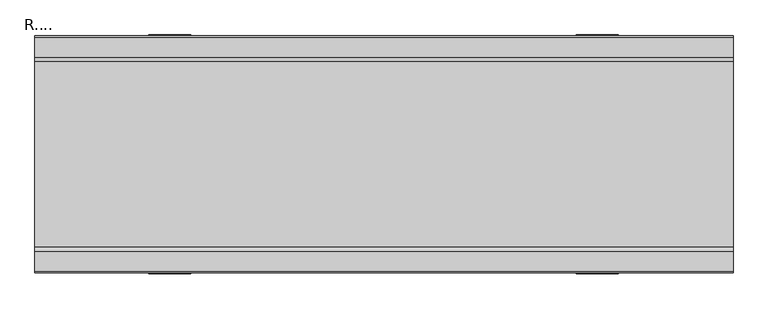
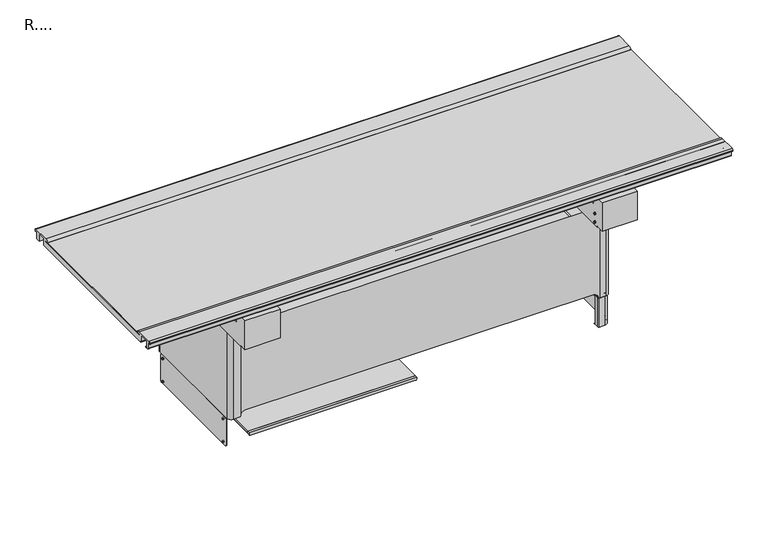
"""IFC4 building model written with IfcOpenShell, lengths in millimetres: proxy geometry, R....."""

from ifc_helpers import new_model, si_unit, point, frame, frame_2d, origin, place, context, project, spatial, polyline, circle_curve, ellipse_curve, trimmed, segment, composite_curve, outline, extrude, faceted_brep, source, transform, mapped, element, save
from ifc_brep_helpers import plane_surface, cylinder_surface, revolved_surface, advanced_brep


def r_60a09def(model_context):
    return source(origin(), model_context, "Body", "SolidModel", [
        advanced_brep(
        [(781.0, 232.75, 9.0), (781.0, 226.75, 3.0), (781.0, 235.5, 3.0), (781.0, 235.5, 3.8), (781.0, 237.5, 3.8), (781.0, 237.5, 130.0), (781.0, -237.5, 130.0), (781.0, -237.5, 3.8415156), (781.0, -235.5, 3.8415156), (781.0, -235.5, 3.0), (781.0, -226.25, 3.0), (781.0, -232.25, 9.0), (781.0, -232.25, 121.0), (781.0, -226.25, 127.0), (781.0, 226.75, 127.0), (781.0, 232.75, 121.0), (736.0, 232.75, 9.0), (736.0, 232.75, 121.0), (736.0, 226.75, 127.0), (736.0, -226.25, 127.0), (736.0, -232.25, 121.0), (736.0, -232.25, 9.0), (736.0, -226.25, 3.0), (736.0, -235.5, 3.0), (736.0, -235.5, 3.8415156), (736.0, -252.0, 3.8415156), (736.0, -252.0, 130.0), (736.0, 252.0, 130.0), (736.0, 252.0, 3.8), (736.0, 235.5, 3.8), (736.0, 235.5, 3.0), (736.0, 226.75, 3.0), (739.5, 255.5, 3.8), (763.0, 255.5, 3.8), (739.5, 255.5, 130.0), (763.0, 255.5, 130.0), (739.5, -255.5, 130.0), (763.0, -255.5, 130.0), (739.5, -255.5, 3.8415156), (763.0, -255.5, 3.8415156)],
        [
            (0, 1, circle_curve(frame((781.0, 226.75, 9.0), z_axis=(-1.0, 0.0, 0.0), x_axis=(0.0, -1.0, 0.0)), 6.0)),
            (1, 2),
            (2, 3),
            (3, 4),
            (4, 5),
            (5, 6),
            (6, 7),
            (7, 8),
            (8, 9),
            (9, 10),
            (10, 11, circle_curve(frame((781.0, -226.25, 9.0), z_axis=(-1.0, 0.0, 0.0), x_axis=(0.0, -1.0, 0.0)), 6.0)),
            (11, 12),
            (12, 13, circle_curve(frame((781.0, -226.25, 121.0), z_axis=(-1.0, 0.0, 0.0), x_axis=(0.0, -1.0, 0.0)), 6.0)),
            (13, 14),
            (14, 15, circle_curve(frame((781.0, 226.75, 121.0), z_axis=(-1.0, 0.0, 0.0), x_axis=(0.0, -1.0, 0.0)), 6.0)),
            (15, 0),
            (16, 17),
            (17, 18, circle_curve(frame((736.0, 226.75, 121.0), z_axis=(1.0, 0.0, 0.0), x_axis=(0.0, -1.0, 0.0)), 6.0)),
            (18, 19),
            (19, 20, circle_curve(frame((736.0, -226.25, 121.0), z_axis=(1.0, 0.0, 0.0), x_axis=(0.0, -1.0, 0.0)), 6.0)),
            (20, 21),
            (21, 22, circle_curve(frame((736.0, -226.25, 9.0), z_axis=(1.0, 0.0, 0.0), x_axis=(0.0, -1.0, 0.0)), 6.0)),
            (22, 23),
            (23, 24),
            (24, 25),
            (25, 26),
            (26, 27),
            (27, 28),
            (28, 29),
            (29, 30),
            (30, 31),
            (31, 16, circle_curve(frame((736.0, 226.75, 9.0), z_axis=(1.0, 0.0, 0.0), x_axis=(0.0, -1.0, 0.0)), 6.0)),
            (0, 16),
            (31, 1),
            (30, 2),
            (29, 3),
            (28, 32, circle_curve(frame((739.5, 252.0, 3.8), z_axis=(0.0, 0.0, -1.0), x_axis=(-1.0, 0.0, 0.0)), 3.5)),
            (32, 33),
            (33, 4, circle_curve(frame((763.0, 237.5, 3.8), z_axis=(0.0, 0.0, -1.0), x_axis=(0.0, 1.0, 0.0)), 18.0)),
            (32, 34),
            (34, 35),
            (35, 33),
            (34, 27, circle_curve(frame((739.5, 252.0, 130.0), z_axis=(0.0, 0.0, 1.0), x_axis=(-1.0, 0.0, 0.0)), 3.5)),
            (26, 36, circle_curve(frame((739.5, -252.0, 130.0), z_axis=(0.0, 0.0, 1.0), x_axis=(-1.0, 0.0, 0.0)), 3.5)),
            (36, 37),
            (37, 6, circle_curve(frame((763.0, -237.5, 130.0), z_axis=(0.0, 0.0, 1.0), x_axis=(0.0, -1.0, 0.0)), 18.0)),
            (5, 35, circle_curve(frame((763.0, 237.5, 130.0), z_axis=(0.0, 0.0, 1.0), x_axis=(0.0, 1.0, 0.0)), 18.0)),
            (36, 38),
            (38, 39),
            (39, 37),
            (24, 8),
            (7, 39, circle_curve(frame((763.0, -237.5, 3.8415156), z_axis=(0.0, 0.0, -1.0), x_axis=(0.0, -1.0, 0.0)), 18.0)),
            (38, 25, circle_curve(frame((739.5, -252.0, 3.8415156), z_axis=(0.0, 0.0, -1.0), x_axis=(-1.0, 0.0, 0.0)), 3.5)),
            (23, 9),
            (22, 10),
            (21, 11),
            (20, 12),
            (19, 13),
            (18, 14),
            (17, 15),
        ],
        [
            plane_surface(frame((781.0, 220.75, 9.0), z_axis=(1.0, 0.0, 0.0), x_axis=(0.0, 0.0, 1.0))),
            plane_surface(frame((736.0, 220.75, 9.0), z_axis=(-1.0, 0.0, 0.0), x_axis=(0.0, 0.0, -1.0))),
            revolved_surface(polyline([(736.0, 220.75, 9.0), (781.0, 220.75, 9.0)]), (736.0, 226.75, 9.0), (-1.0, 0.0, 0.0)),
            plane_surface(frame((781.0, 226.75, 3.0), z_axis=(0.0, 0.0, -1.0), x_axis=(-1.0, 0.0, 0.0))),
            plane_surface(frame((781.0, 235.5, 3.0), z_axis=(0.0, 1.0, 0.0), x_axis=(-1.0, 0.0, 0.0))),
            plane_surface(frame((781.0, 235.5, 3.8), z_axis=(0.0, 0.0, -1.0), x_axis=(-1.0, 0.0, 0.0))),
            plane_surface(frame((781.0, 255.5, 3.8), z_axis=(0.0, 1.0, 0.0), x_axis=(-1.0, 0.0, 0.0))),
            plane_surface(frame((781.0, 255.5, 130.0), z_axis=(0.0, 0.0, 1.0), x_axis=(-1.0, 0.0, 0.0))),
            plane_surface(frame((781.0, -255.5, 130.0), z_axis=(0.0, -1.0, 0.0), x_axis=(-1.0, 0.0, 0.0))),
            plane_surface(frame((781.0, -255.5, 3.8415156), z_axis=(0.0, 0.0, -1.0), x_axis=(-1.0, 0.0, 0.0))),
            plane_surface(frame((781.0, -235.5, 3.8415156), z_axis=(0.0, -1.0, 0.0), x_axis=(-1.0, 0.0, 0.0))),
            plane_surface(frame((781.0, -235.5, 3.0), z_axis=(0.0, 0.0, -1.0), x_axis=(-1.0, 0.0, 0.0))),
            revolved_surface(polyline([(736.0, -232.25, 9.0), (781.0, -232.25, 9.0)]), (736.0, -226.25, 9.0), (-1.0, 0.0, 0.0)),
            plane_surface(frame((781.0, -232.25, 9.0), z_axis=(0.0, 1.0, 0.0), x_axis=(-1.0, 0.0, 0.0))),
            revolved_surface(polyline([(736.0, -232.25, 121.0), (781.0, -232.25, 121.0)]), (736.0, -226.25, 121.0), (-1.0, 0.0, 0.0)),
            plane_surface(frame((781.0, -226.25, 127.0), z_axis=(0.0, 0.0, -1.0), x_axis=(-1.0, 0.0, 0.0))),
            revolved_surface(polyline([(736.0, 220.75, 121.0), (781.0, 220.75, 121.0)]), (736.0, 226.75, 121.0), (-1.0, 0.0, 0.0)),
            plane_surface(frame((781.0, 232.75, 121.0), z_axis=(0.0, -1.0, 0.0), x_axis=(-1.0, 0.0, 0.0))),
            cylinder_surface(frame((763.0, 237.5, 0.0), z_axis=(0.0, 0.0, -1.0), x_axis=(0.0, 1.0, 0.0)), 18.0),
            cylinder_surface(frame((739.5, 252.0, 0.0), z_axis=(0.0, 0.0, -1.0), x_axis=(-1.0, 0.0, 0.0)), 3.5),
            cylinder_surface(frame((763.0, -237.5, 0.0), z_axis=(0.0, 0.0, -1.0), x_axis=(0.0, -1.0, 0.0)), 18.0),
            cylinder_surface(frame((739.5, -252.0, 0.0), z_axis=(0.0, 0.0, -1.0), x_axis=(-1.0, 0.0, 0.0)), 3.5),
        ],
        [
            (0, [[1, 2, 3, 4, 5, 6, 7, 8, 9, 10, 11, 12, 13, 14, 15, 16]]),
            (1, [[17, 18, 19, 20, 21, 22, 23, 24, 25, 26, 27, 28, 29, 30, 31, 32]]),
            (2, [[-1, 33, -32, 34]]),
            (3, [[-2, -34, -31, 35]]),
            (4, [[-3, -35, -30, 36]]),
            (5, [[-36, -29, 37, 38, 39, -4]]),
            (6, [[-38, 40, 41, 42]]),
            (7, [[-41, 43, -27, 44, 45, 46, -6, 47]]),
            (8, [[-45, 48, 49, 50]]),
            (9, [[51, -8, 52, -49, 53, -25]]),
            (10, [[-9, -51, -24, 54]]),
            (11, [[-10, -54, -23, 55]]),
            (12, [[-11, -55, -22, 56]]),
            (13, [[-12, -56, -21, 57]]),
            (14, [[-13, -57, -20, 58]]),
            (15, [[-14, -58, -19, 59]]),
            (16, [[-15, -59, -18, 60]]),
            (17, [[-16, -60, -17, -33]]),
            (18, [[-5, -39, -42, -47]]),
            (19, [[-28, -43, -40, -37]]),
            (20, [[-7, -46, -50, -52]]),
            (21, [[-26, -53, -48, -44]]),
        ],
    ),
        advanced_brep(
        [(742.6123808, -255.5, 541.9), (766.1123808, -255.5, 541.9), (784.1123808, -237.5, 541.9), (784.1123808, 237.5, 541.9), (766.1123808, 255.5, 541.9), (742.6123808, 255.5, 541.9), (736.0, 255.5, 541.9), (736.0, -255.5, 541.9), (-736.3876192, 255.5, 541.9), (-766.0876192, 255.5, 541.9), (-784.0876192, 237.5, 541.9), (-784.0876192, -237.5, 541.9), (-766.0876192, -255.5, 541.9), (-736.3876192, -255.5, 541.9), (-736.0, -255.5, 541.9), (-736.0, 255.5, 541.9), (742.6123808, 255.5, 130.0), (766.1123808, 255.5, 130.0), (784.1123808, 237.5, 130.0), (784.1123808, -237.5, 130.0), (766.1123808, -255.5, 130.0), (742.6123808, -255.5, 130.0), (735.1123808, -255.5, 130.0), (735.1123808, 255.5, 130.0), (-766.0876192, -255.5, 130.0), (-784.0876192, -237.5, 130.0), (-784.0876192, 237.5, 130.0), (-766.0876192, 255.5, 130.0), (-736.8876192, 255.5, 130.0), (-736.8876192, -255.5, 130.0), (735.1123808, 255.5, 133.4), (715.1123808, 255.5, 153.4), (-716.8876192, 255.5, 153.4), (-736.3876192, 255.5, 137.8440972), (-736.0, 255.5, 533.6), (-736.0, 255.5, 532.0), (-730.0, 255.5, 526.0), (-623.8, 255.5, 526.0), (-616.2, 255.5, 526.0), (616.2, 255.5, 526.0), (623.8, 255.5, 526.0), (730.0, 255.5, 526.0), (736.0, 255.5, 532.0), (736.0, 255.5, 533.6), (-736.8876192, 255.5, 133.4), (-736.8876192, -255.5, 133.4), (-736.3876192, -255.5, 137.8440972), (736.0, -255.5, 533.6), (736.0, -255.5, 532.0), (730.0, -255.5, 526.0), (623.8, -255.5, 526.0), (616.2, -255.5, 526.0), (-616.2, -255.5, 526.0), (-623.8, -255.5, 526.0), (-730.0, -255.5, 526.0), (-736.0, -255.5, 532.0), (-736.0, -255.5, 533.6), (-716.8876192, -255.5, 153.4), (715.1123808, -255.5, 153.4), (735.1123808, -255.5, 133.4)],
        [
            (0, 1),
            (1, 2, circle_curve(frame((766.1123808, -237.5, 541.9), z_axis=(0.0, 0.0, 1.0), x_axis=(1.0, 0.0, 0.0)), 18.0)),
            (2, 3),
            (3, 4, circle_curve(frame((766.1123808, 237.5, 541.9), z_axis=(0.0, 0.0, 1.0), x_axis=(0.0, 1.0, 0.0)), 18.0)),
            (4, 5),
            (5, 6),
            (6, 7),
            (7, 0),
            (8, 9),
            (9, 10, circle_curve(frame((-766.0876192, 237.5, 541.9), z_axis=(0.0, 0.0, 1.0), x_axis=(0.0, 1.0, 0.0)), 18.0)),
            (10, 11),
            (11, 12, circle_curve(frame((-766.0876192, -237.5, 541.9), z_axis=(0.0, 0.0, 1.0), x_axis=(-1.0, 0.0, 0.0)), 18.0)),
            (12, 13),
            (13, 14),
            (14, 15),
            (15, 8),
            (16, 17),
            (17, 18, circle_curve(frame((766.1123808, 237.5, 130.0), z_axis=(0.0, 0.0, -1.0), x_axis=(0.0, 1.0, 0.0)), 18.0)),
            (18, 19),
            (19, 20, circle_curve(frame((766.1123808, -237.5, 130.0), z_axis=(0.0, 0.0, -1.0), x_axis=(1.0, 0.0, 0.0)), 18.0)),
            (20, 21),
            (21, 22),
            (22, 23),
            (23, 16),
            (24, 25, circle_curve(frame((-766.0876192, -237.5, 130.0), z_axis=(0.0, 0.0, -1.0), x_axis=(-1.0, 0.0, 0.0)), 18.0)),
            (25, 26),
            (26, 27, circle_curve(frame((-766.0876192, 237.5, 130.0), z_axis=(0.0, 0.0, -1.0), x_axis=(0.0, 1.0, 0.0)), 18.0)),
            (27, 28),
            (28, 29),
            (29, 24),
            (5, 16),
            (23, 30),
            (30, 31, circle_curve(frame((715.1123808, 255.5, 133.4), z_axis=(0.0, -1.0, 0.0), x_axis=(1.0, 0.0, 0.0)), 20.0)),
            (31, 32),
            (32, 33, circle_curve(frame((-716.8876192, 255.5, 133.4), z_axis=(0.0, -1.0, 0.0), x_axis=(1.0, 0.0, 0.0)), 20.0)),
            (33, 8),
            (15, 34),
            (34, 35),
            (35, 36, circle_curve(frame((-730.0, 255.5, 532.0), z_axis=(0.0, -1.0, 0.0), x_axis=(-1.0, 0.0, 0.0)), 6.0)),
            (36, 37),
            (37, 38),
            (38, 39),
            (39, 40),
            (40, 41),
            (41, 42, circle_curve(frame((730.0, 255.5, 532.0), z_axis=(0.0, -1.0, 0.0), x_axis=(0.0, 0.0, -1.0)), 6.0)),
            (42, 43),
            (43, 6),
            (33, 44, circle_curve(frame((-716.8876192, 255.5, 133.4), z_axis=(0.0, -1.0, 0.0), x_axis=(1.0, 0.0, 0.0)), 20.0)),
            (44, 28),
            (27, 9),
            (26, 10),
            (25, 11),
            (24, 12),
            (29, 45),
            (45, 46, circle_curve(frame((-716.8876192, -255.5, 133.4), z_axis=(0.0, 1.0, 0.0), x_axis=(1.0, 0.0, 0.0)), 20.0)),
            (46, 13),
            (21, 0),
            (7, 47),
            (47, 48),
            (48, 49, circle_curve(frame((730.0, -255.5, 532.0), z_axis=(0.0, 1.0, 0.0), x_axis=(0.0, 0.0, -1.0)), 6.0)),
            (49, 50),
            (50, 51),
            (51, 52),
            (52, 53),
            (53, 54),
            (54, 55, circle_curve(frame((-730.0, -255.5, 532.0), z_axis=(0.0, 1.0, 0.0), x_axis=(-1.0, 0.0, 0.0)), 6.0)),
            (55, 56),
            (56, 14),
            (46, 57, circle_curve(frame((-716.8876192, -255.5, 133.4), z_axis=(0.0, 1.0, 0.0), x_axis=(1.0, 0.0, 0.0)), 20.0)),
            (57, 58),
            (58, 59, circle_curve(frame((715.1123808, -255.5, 133.4), z_axis=(0.0, 1.0, 0.0), x_axis=(1.0, 0.0, 0.0)), 20.0)),
            (59, 22),
            (20, 1),
            (19, 2),
            (18, 3),
            (17, 4),
            (44, 45),
            (59, 30),
            (58, 31),
            (57, 32),
            (34, 56),
            (55, 35),
            (54, 36),
            (53, 37),
            (52, 38),
            (51, 39),
            (50, 40),
            (49, 41),
            (48, 42),
            (47, 43),
        ],
        [
            plane_surface(frame((-736.3876192, 255.5, 541.9), z_axis=(0.0, 0.0, 1.0), x_axis=(-1.0, 0.0, 0.0))),
            plane_surface(frame((-736.3876192, 255.5, 130.0), z_axis=(0.0, 0.0, -1.0), x_axis=(1.0, 0.0, 0.0))),
            plane_surface(frame((742.6123808, 255.5, 541.9), z_axis=(0.0, 1.0, 0.0), x_axis=(0.0, 0.0, -1.0))),
            plane_surface(frame((-736.3876192, 255.5, 541.9), z_axis=(0.0, 1.0, 0.0), x_axis=(0.0, 0.0, -1.0))),
            cylinder_surface(frame((-766.0876192, 237.5, 130.0), z_axis=(0.0, 0.0, 1.0), x_axis=(0.0, 1.0, 0.0)), 18.0),
            plane_surface(frame((-784.0876192, 237.5, 541.9), z_axis=(-1.0, 0.0, 0.0), x_axis=(0.0, 0.0, -1.0))),
            cylinder_surface(frame((-766.0876192, -237.5, 130.0), z_axis=(0.0, 0.0, 1.0), x_axis=(-1.0, 0.0, 0.0)), 18.0),
            plane_surface(frame((-766.0876192, -255.5, 541.9), z_axis=(0.0, -1.0, 0.0), x_axis=(0.0, 0.0, -1.0))),
            plane_surface(frame((-736.3876192, -255.5, 541.9), z_axis=(0.0, -1.0, 0.0), x_axis=(0.0, 0.0, -1.0))),
            plane_surface(frame((742.6123808, -255.5, 541.9), z_axis=(0.0, -1.0, 0.0), x_axis=(0.0, 0.0, -1.0))),
            cylinder_surface(frame((766.1123808, -237.5, 130.0), z_axis=(0.0, 0.0, 1.0), x_axis=(1.0, 0.0, 0.0)), 18.0),
            plane_surface(frame((784.1123808, -237.5, 541.9), z_axis=(1.0, 0.0, 0.0), x_axis=(0.0, 0.0, -1.0))),
            cylinder_surface(frame((766.1123808, 237.5, 130.0), z_axis=(0.0, 0.0, 1.0), x_axis=(0.0, 1.0, 0.0)), 18.0),
            plane_surface(frame((766.1123808, 255.5, 541.9), z_axis=(0.0, 1.0, 0.0), x_axis=(0.0, 0.0, -1.0))),
            plane_surface(frame((-736.8876192, -261.55, 133.4), z_axis=(1.0, 0.0, 0.0), x_axis=(0.0, 1.0, 0.0))),
            plane_surface(frame((735.1123808, -261.55, 3.5), z_axis=(-1.0, 0.0, 0.0), x_axis=(0.0, 1.0, 0.0))),
            revolved_surface(polyline([(735.1123808, -255.50000000000006, 133.4), (735.1123808, 255.5, 133.4)]), (715.1123808, 318.4037854, 133.4), (0.0, -1.0, 0.0)),
            plane_surface(frame((715.1123808, -261.55, 153.4), z_axis=(0.0, 0.0, -1.0), x_axis=(0.0, 1.0, 0.0))),
            revolved_surface(polyline([(-696.8876192, -255.50000000000006, 133.4), (-696.8876192, 255.5, 133.4)]), (-716.8876192, 318.4037854, 133.4), (0.0, -1.0, 0.0)),
            plane_surface(frame((-736.0, -261.55, 533.6), z_axis=(1.0, 0.0, 0.0), x_axis=(0.0, 1.0, 0.0))),
            revolved_surface(polyline([(-736.0, -255.5, 532.0), (-736.0, 255.5, 532.0)]), (-730.0, 255.5, 532.0), (0.0, -1.0, 0.0)),
            plane_surface(frame((-730.0, -261.55, 526.0), z_axis=(0.0, 0.0, 1.0), x_axis=(0.0, 1.0, 0.0))),
            plane_surface(frame((-623.8, -261.55, 526.0), z_axis=(0.0, 0.0, 1.0), x_axis=(0.0, 1.0, 0.0))),
            plane_surface(frame((-616.2, -261.55, 526.0), z_axis=(0.0, 0.0, 1.0), x_axis=(0.0, 1.0, 0.0))),
            plane_surface(frame((616.2, -261.55, 526.0), z_axis=(0.0, 0.0, 1.0), x_axis=(0.0, 1.0, 0.0))),
            plane_surface(frame((623.8, -261.55, 526.0), z_axis=(0.0, 0.0, 1.0), x_axis=(0.0, 1.0, 0.0))),
            revolved_surface(polyline([(730.0, -255.5, 526.0), (730.0, 255.5, 526.0)]), (730.0, 255.5, 532.0), (0.0, -1.0, 0.0)),
            plane_surface(frame((736.0, -261.55, 532.0), z_axis=(-1.0, 0.0, 0.0), x_axis=(0.0, 1.0, 0.0))),
            plane_surface(frame((736.0, -261.55, 533.6), z_axis=(-1.0, 0.0, 0.0), x_axis=(0.0, 1.0, 0.0))),
            plane_surface(frame((-736.0, -261.55, 541.9), z_axis=(1.0, 0.0, 0.0), x_axis=(0.0, 1.0, 0.0))),
        ],
        [
            (0, [[1, 2, 3, 4, 5, 6, 7, 8]]),
            (0, [[9, 10, 11, 12, 13, 14, 15, 16]]),
            (1, [[17, 18, 19, 20, 21, 22, 23, 24]]),
            (1, [[25, 26, 27, 28, 29, 30]]),
            (2, [[31, -24, 32, 33, 34, 35, 36, -16, 37, 38, 39, 40, 41, 42, 43, 44, 45, 46, 47, -6]]),
            (3, [[-9, -36, 48, 49, -28, 50]]),
            (4, [[-10, -50, -27, 51]]),
            (5, [[-11, -51, -26, 52]]),
            (6, [[-12, -52, -25, 53]]),
            (7, [[-13, -53, -30, 54, 55, 56]]),
            (8, [[57, -8, 58, 59, 60, 61, 62, 63, 64, 65, 66, 67, 68, -14, -56, 69, 70, 71, 72, -22]]),
            (9, [[-1, -57, -21, 73]]),
            (10, [[-2, -73, -20, 74]]),
            (11, [[-3, -74, -19, 75]]),
            (12, [[-4, -75, -18, 76]]),
            (13, [[-5, -76, -17, -31]]),
            (14, [[77, -54, -29, -49]]),
            (15, [[78, -32, -23, -72]]),
            (16, [[-78, -71, 79, -33]]),
            (17, [[-79, -70, 80, -34]]),
            (18, [[-77, -48, -35, -80, -69, -55]]),
            (19, [[81, -67, 82, -38]]),
            (20, [[-82, -66, 83, -39]]),
            (21, [[-83, -65, 84, -40]]),
            (22, [[-84, -64, 85, -41]]),
            (23, [[-85, -63, 86, -42]]),
            (24, [[-86, -62, 87, -43]]),
            (25, [[-87, -61, 88, -44]]),
            (26, [[-88, -60, 89, -45]]),
            (27, [[-89, -59, 90, -46]]),
            (28, [[-90, -58, -7, -47]]),
            (29, [[-81, -37, -15, -68]]),
        ],
    ),
        extrude(outline(composite_curve([segment(polyline([(33.0, -1.0), (33.0, -690.5), (26.0, -690.5)]), True, "CONTINUOUS"), segment(trimmed(circle_curve(frame_2d((26.0, -685.5)), 5.0), [point((26.0, -690.5))], [point((21.0, -685.5))], False, "CARTESIAN"), True, "CONTINUOUS"), segment(polyline([(21.0, -685.5), (21.0, -6.0)]), True, "CONTINUOUS"), segment(trimmed(circle_curve(frame_2d((26.0, -6.0)), 5.0), [point((21.0, -6.0))], [point((26.0, -1.0))], False, "CARTESIAN"), True, "CONTINUOUS"), segment(polyline([(26.0, -1.0), (33.0, -1.0)]), True, "CONTINUOUS")], self_intersect=False)), frame((0.0, -236.8025505, 0.0), z_axis=(0.0, 1.0, 0.0), x_axis=(0.0, 0.0, 1.0)), (0.0, 0.0, 1.0), 10.5525505),
        extrude(outline(composite_curve([segment(polyline([(33.0, -1.0), (33.0, -690.5), (26.0, -690.5)]), True, "CONTINUOUS"), segment(trimmed(circle_curve(frame_2d((26.0, -685.5)), 5.0), [point((26.0, -690.5))], [point((21.1010205, -686.5))], False, "CARTESIAN"), True, "CONTINUOUS"), segment(polyline([(21.1010205, -686.5), (21.1010205, -5.0)]), True, "CONTINUOUS"), segment(trimmed(circle_curve(frame_2d((26.0, -6.0)), 5.0), [point((21.1010205, -5.0))], [point((26.0, -1.0))], False, "CARTESIAN"), True, "CONTINUOUS"), segment(polyline([(26.0, -1.0), (33.0, -1.0)]), True, "CONTINUOUS")], self_intersect=False)), frame((0.0, -226.25, 0.0), z_axis=(0.0, 1.0, 0.0), x_axis=(0.0, 0.0, 1.0)), (0.0, 0.0, 1.0), 478.25),
        extrude(outline(composite_curve([segment(trimmed(circle_curve(frame_2d((187.227, 508.6)), 3.8), [point((191.027, 508.6))], [point((183.427, 508.6))], False, "CARTESIAN"), True, "CONTINUOUS"), segment(trimmed(circle_curve(frame_2d((187.227, 508.6)), 3.8), [point((183.427, 508.6))], [point((191.027, 508.6))], False, "CARTESIAN"), True, "CONTINUOUS")], self_intersect=False)), frame((785.0, 0.0, 0.0), z_axis=(1.0, 0.0, 0.0), x_axis=(0.0, 1.0, 0.0)), (0.0, 0.0, 1.0), 2.2),
        extrude(outline(composite_curve([segment(trimmed(circle_curve(frame_2d((-186.773, 508.6)), 3.8), [point((-182.973, 508.6))], [point((-190.573, 508.6))], False, "CARTESIAN"), True, "CONTINUOUS"), segment(trimmed(circle_curve(frame_2d((-186.773, 508.6)), 3.8), [point((-190.573, 508.6))], [point((-182.973, 508.6))], False, "CARTESIAN"), True, "CONTINUOUS")], self_intersect=False)), frame((785.0, 0.0, 0.0), z_axis=(1.0, 0.0, 0.0), x_axis=(0.0, 1.0, 0.0)), (0.0, 0.0, 1.0), 2.2),
        extrude(outline(composite_curve([segment(trimmed(circle_curve(frame_2d((-186.773, 145.0)), 3.8), [point((-182.973, 145.0))], [point((-190.573, 145.0))], False, "CARTESIAN"), True, "CONTINUOUS"), segment(trimmed(circle_curve(frame_2d((-186.773, 145.0)), 3.8), [point((-190.573, 145.0))], [point((-182.973, 145.0))], False, "CARTESIAN"), True, "CONTINUOUS")], self_intersect=False)), frame((785.0, 0.0, 0.0), z_axis=(1.0, 0.0, 0.0), x_axis=(0.0, 1.0, 0.0)), (0.0, 0.0, 1.0), 2.2),
        extrude(outline(composite_curve([segment(trimmed(circle_curve(frame_2d((187.227, 145.0)), 3.8), [point((191.027, 145.0))], [point((183.427, 145.0))], False, "CARTESIAN"), True, "CONTINUOUS"), segment(trimmed(circle_curve(frame_2d((187.227, 145.0)), 3.8), [point((183.427, 145.0))], [point((191.027, 145.0))], False, "CARTESIAN"), True, "CONTINUOUS")], self_intersect=False)), frame((785.0, 0.0, 0.0), z_axis=(1.0, 0.0, 0.0), x_axis=(0.0, 1.0, 0.0)), (0.0, 0.0, 1.0), 2.2),
        extrude(outline(composite_curve([segment(trimmed(circle_curve(frame_2d((215.25, 115.0)), 3.8), [point((219.05, 115.0))], [point((211.45, 115.0))], False, "CARTESIAN"), True, "CONTINUOUS"), segment(trimmed(circle_curve(frame_2d((215.25, 115.0)), 3.8), [point((211.45, 115.0))], [point((219.05, 115.0))], False, "CARTESIAN"), True, "CONTINUOUS")], self_intersect=False)), frame((782.5, 0.0, 0.0), z_axis=(1.0, 0.0, 0.0), x_axis=(0.0, 1.0, 0.0)), (0.0, 0.0, 1.0), 4.7),
        extrude(outline(composite_curve([segment(trimmed(circle_curve(frame_2d((215.25, 15.0)), 3.8), [point((219.05, 15.0))], [point((211.45, 15.0))], False, "CARTESIAN"), True, "CONTINUOUS"), segment(trimmed(circle_curve(frame_2d((215.25, 15.0)), 3.8), [point((211.45, 15.0))], [point((219.05, 15.0))], False, "CARTESIAN"), True, "CONTINUOUS")], self_intersect=False)), frame((782.5, 0.0, 0.0), z_axis=(1.0, 0.0, 0.0), x_axis=(0.0, 1.0, 0.0)), (0.0, 0.0, 1.0), 4.7),
        extrude(outline(composite_curve([segment(trimmed(circle_curve(frame_2d((-214.75, 115.0)), 3.8), [point((-210.95, 115.0))], [point((-218.55, 115.0))], False, "CARTESIAN"), True, "CONTINUOUS"), segment(trimmed(circle_curve(frame_2d((-214.75, 115.0)), 3.8), [point((-218.55, 115.0))], [point((-210.95, 115.0))], False, "CARTESIAN"), True, "CONTINUOUS")], self_intersect=False)), frame((782.5, 0.0, 0.0), z_axis=(1.0, 0.0, 0.0), x_axis=(0.0, 1.0, 0.0)), (0.0, 0.0, 1.0), 4.7),
        extrude(outline(composite_curve([segment(trimmed(circle_curve(frame_2d((-214.75, 15.0)), 3.8), [point((-210.95, 15.0))], [point((-218.55, 15.0))], False, "CARTESIAN"), True, "CONTINUOUS"), segment(trimmed(circle_curve(frame_2d((-214.75, 15.0)), 3.8), [point((-218.55, 15.0))], [point((-210.95, 15.0))], False, "CARTESIAN"), True, "CONTINUOUS")], self_intersect=False)), frame((782.5, 0.0, 0.0), z_axis=(1.0, 0.0, 0.0), x_axis=(0.0, 1.0, 0.0)), (0.0, 0.0, 1.0), 4.7),
        extrude(outline(composite_curve([segment(trimmed(circle_curve(frame_2d((215.25, 115.0)), 3.8), [point((219.05, 115.0))], [point((211.45, 115.0))], False, "CARTESIAN"), True, "CONTINUOUS"), segment(trimmed(circle_curve(frame_2d((215.25, 115.0)), 3.8), [point((211.45, 115.0))], [point((219.05, 115.0))], False, "CARTESIAN"), True, "CONTINUOUS")], self_intersect=False)), frame((-787.2, 0.0, 0.0), z_axis=(1.0, 0.0, 0.0), x_axis=(0.0, 1.0, 0.0)), (0.0, 0.0, 1.0), 4.7),
        extrude(outline(composite_curve([segment(trimmed(circle_curve(frame_2d((215.25, 15.0)), 3.8), [point((219.05, 15.0))], [point((211.45, 15.0))], False, "CARTESIAN"), True, "CONTINUOUS"), segment(trimmed(circle_curve(frame_2d((215.25, 15.0)), 3.8), [point((211.45, 15.0))], [point((219.05, 15.0))], False, "CARTESIAN"), True, "CONTINUOUS")], self_intersect=False)), frame((-787.2, 0.0, 0.0), z_axis=(1.0, 0.0, 0.0), x_axis=(0.0, 1.0, 0.0)), (0.0, 0.0, 1.0), 4.7),
        extrude(outline(composite_curve([segment(trimmed(circle_curve(frame_2d((-214.75, 115.0)), 3.8), [point((-210.95, 115.0))], [point((-218.55, 115.0))], False, "CARTESIAN"), True, "CONTINUOUS"), segment(trimmed(circle_curve(frame_2d((-214.75, 115.0)), 3.8), [point((-218.55, 115.0))], [point((-210.95, 115.0))], False, "CARTESIAN"), True, "CONTINUOUS")], self_intersect=False)), frame((-787.2, 0.0, 0.0), z_axis=(1.0, 0.0, 0.0), x_axis=(0.0, 1.0, 0.0)), (0.0, 0.0, 1.0), 4.7),
        extrude(outline(composite_curve([segment(trimmed(circle_curve(frame_2d((-214.75, 15.0)), 3.8), [point((-210.95, 15.0))], [point((-218.55, 15.0))], False, "CARTESIAN"), True, "CONTINUOUS"), segment(trimmed(circle_curve(frame_2d((-214.75, 15.0)), 3.8), [point((-218.55, 15.0))], [point((-210.95, 15.0))], False, "CARTESIAN"), True, "CONTINUOUS")], self_intersect=False)), frame((-787.2, 0.0, 0.0), z_axis=(1.0, 0.0, 0.0), x_axis=(0.0, 1.0, 0.0)), (0.0, 0.0, 1.0), 4.7),
        extrude(outline(polyline([(784.1123808, -196.413), (784.1123808, 196.864), (785.0, 196.864), (785.0, -196.413), (784.1123808, -196.413)])), frame((0.0, 0.0, 130.0), z_axis=(0.0, 0.0, 1.0), x_axis=(1.0, 0.0, 0.0)), (0.0, 0.0, 1.0), 411.9),
        extrude(outline(composite_curve([segment(polyline([(-226.25, 127.0), (226.75, 127.0)]), True, "CONTINUOUS"), segment(trimmed(circle_curve(frame_2d((226.75, 121.0)), 6.0), [point((226.75, 127.0))], [point((232.75, 121.0))], False, "CARTESIAN"), True, "CONTINUOUS"), segment(polyline([(232.75, 121.0), (232.75, 9.0)]), True, "CONTINUOUS"), segment(trimmed(circle_curve(frame_2d((226.75, 9.0)), 6.0), [point((232.75, 9.0))], [point((226.75, 3.0))], False, "CARTESIAN"), True, "CONTINUOUS"), segment(polyline([(226.75, 3.0), (-226.25, 3.0)]), True, "CONTINUOUS"), segment(trimmed(circle_curve(frame_2d((-226.25, 9.0)), 6.0), [point((-226.25, 3.0))], [point((-232.25, 9.0))], False, "CARTESIAN"), True, "CONTINUOUS"), segment(polyline([(-232.25, 9.0), (-232.25, 121.0)]), True, "CONTINUOUS"), segment(trimmed(circle_curve(frame_2d((-226.25, 121.0)), 6.0), [point((-232.25, 121.0))], [point((-226.25, 127.0))], False, "CARTESIAN"), True, "CONTINUOUS")], self_intersect=False)), frame((781.0, 0.0, 0.0), z_axis=(1.0, 0.0, 0.0), x_axis=(0.0, 1.0, 0.0)), (0.0, 0.0, 1.0), 1.5),
        extrude(outline(composite_curve([segment(polyline([(-226.25, 127.0), (226.75, 127.0)]), True, "CONTINUOUS"), segment(trimmed(circle_curve(frame_2d((226.75, 121.0)), 6.0), [point((226.75, 127.0))], [point((232.75, 121.0))], False, "CARTESIAN"), True, "CONTINUOUS"), segment(polyline([(232.75, 121.0), (232.75, 9.0)]), True, "CONTINUOUS"), segment(trimmed(circle_curve(frame_2d((226.75, 9.0)), 6.0), [point((232.75, 9.0))], [point((226.75, 3.0))], False, "CARTESIAN"), True, "CONTINUOUS"), segment(polyline([(226.75, 3.0), (-226.25, 3.0)]), True, "CONTINUOUS"), segment(trimmed(circle_curve(frame_2d((-226.25, 9.0)), 6.0), [point((-226.25, 3.0))], [point((-232.25, 9.0))], False, "CARTESIAN"), True, "CONTINUOUS"), segment(polyline([(-232.25, 9.0), (-232.25, 121.0)]), True, "CONTINUOUS"), segment(trimmed(circle_curve(frame_2d((-226.25, 121.0)), 6.0), [point((-232.25, 121.0))], [point((-226.25, 127.0))], False, "CARTESIAN"), True, "CONTINUOUS")], self_intersect=False)), frame((-782.5, 0.0, 0.0), z_axis=(1.0, 0.0, 0.0), x_axis=(0.0, 1.0, 0.0)), (0.0, 0.0, 1.0), 1.5),
        extrude(outline(composite_curve([segment(trimmed(circle_curve(frame_2d((-318.75, 700.3232245)), 1.0232245), [point((-318.75, 699.3))], [point((-317.75, 700.5399924))], True, "CARTESIAN"), True, "CONTINUOUS"), segment(polyline([(-317.75, 700.5399924), (-317.75, 701.8), (316.75, 701.8), (316.75, 700.5399924)]), True, "CONTINUOUS"), segment(trimmed(circle_curve(frame_2d((317.75, 700.3232245)), 1.0232245), [point((316.75, 700.5399924))], [point((317.75, 699.3))], True, "CARTESIAN"), True, "CONTINUOUS"), segment(polyline([(317.75, 699.3), (333.25, 699.3), (333.25, 697.7), (-334.25, 697.7), (-334.25, 699.3), (-318.75, 699.3)]), True, "CONTINUOUS")], self_intersect=False)), frame((-1199.0000508, 0.0, 0.0), z_axis=(1.0, 0.0, 0.0), x_axis=(0.0, 1.0, 0.0)), (0.0, 0.0, 1.0), 2400.0000508),
        extrude(outline(composite_curve([segment(trimmed(circle_curve(frame_2d((333.25, 692.1)), 18.0), [point((318.0021441, 701.6657143))], [point((333.25, 710.1))], False, "CARTESIAN"), True, "CONTINUOUS"), segment(polyline([(333.25, 710.1), (402.25, 710.1)]), True, "CONTINUOUS"), segment(trimmed(circle_curve(frame_2d((402.25, 705.1)), 5.0), [point((402.25, 710.1))], [point((407.25, 705.1))], False, "CARTESIAN"), True, "CONTINUOUS"), segment(polyline([(407.25, 705.1), (407.25, 700.3500064)]), True, "CONTINUOUS"), segment(trimmed(circle_curve(frame_2d((405.9999935, 700.3500064)), 1.2500065), [point((407.25, 700.3500064))], [point((404.7510411, 700.2986822))], False, "CARTESIAN"), True, "CONTINUOUS"), segment(polyline([(404.7510411, 700.2986822), (400.75, 703.1), (396.75, 700.2991698), (396.75, 676.6)]), True, "CONTINUOUS"), segment(trimmed(circle_curve(frame_2d((391.75, 676.6)), 5.0), [point((396.75, 676.6))], [point((391.75, 671.6))], False, "CARTESIAN"), True, "CONTINUOUS"), segment(polyline([(391.75, 671.6), (379.75, 671.6), (379.75, 703.6), (364.75, 703.6), (347.25, 703.6)]), True, "CONTINUOUS"), segment(trimmed(circle_curve(frame_2d((347.25, 702.6)), 1.0), [point((347.25, 703.6))], [point((346.25, 702.6))], True, "CARTESIAN"), True, "CONTINUOUS"), segment(polyline([(346.25, 702.6), (346.25, 675.6)]), True, "CONTINUOUS"), segment(trimmed(circle_curve(frame_2d((345.0892857, 675.6)), 1.1607143), [point((346.25, 675.6))], [point((344.5, 674.6))], False, "CARTESIAN"), True, "CONTINUOUS"), segment(polyline([(344.5, 674.6), (344.5, 671.6), (-345.5, 671.6), (-345.5, 674.6)]), True, "CONTINUOUS"), segment(trimmed(circle_curve(frame_2d((-346.0892857, 675.6)), 1.1607143), [point((-345.5, 674.6))], [point((-347.25, 675.6))], False, "CARTESIAN"), True, "CONTINUOUS"), segment(polyline([(-347.25, 675.6), (-347.25, 702.6)]), True, "CONTINUOUS"), segment(trimmed(circle_curve(frame_2d((-348.25, 702.6)), 1.0), [point((-347.25, 702.6))], [point((-348.25, 703.6))], True, "CARTESIAN"), True, "CONTINUOUS"), segment(polyline([(-348.25, 703.6), (-365.75, 703.6), (-389.25, 703.6), (-389.25, 676.1)]), True, "CONTINUOUS"), segment(trimmed(circle_curve(frame_2d((-388.25, 676.1)), 1.0), [point((-389.25, 676.1))], [point((-388.25, 675.1))], True, "CARTESIAN"), True, "CONTINUOUS"), segment(polyline([(-388.25, 675.1), (-380.75, 675.1)]), True, "CONTINUOUS"), segment(trimmed(circle_curve(frame_2d((-380.75, 674.6)), 0.5), [point((-380.75, 675.1))], [point((-380.25, 674.6))], False, "CARTESIAN"), True, "CONTINUOUS"), segment(polyline([(-380.25, 674.6), (-380.25, 672.1)]), True, "CONTINUOUS"), segment(trimmed(circle_curve(frame_2d((-380.75, 672.1)), 0.5), [point((-380.25, 672.1))], [point((-380.75, 671.6))], False, "CARTESIAN"), True, "CONTINUOUS"), segment(polyline([(-380.75, 671.6), (-392.75, 671.6)]), True, "CONTINUOUS"), segment(trimmed(circle_curve(frame_2d((-392.75, 676.6)), 5.0), [point((-392.75, 671.6))], [point((-397.75, 676.6))], False, "CARTESIAN"), True, "CONTINUOUS"), segment(polyline([(-397.75, 676.6), (-397.75, 700.2991698), (-401.75, 703.1), (-405.7510538, 700.2986828)]), True, "CONTINUOUS"), segment(trimmed(circle_curve(frame_2d((-407.0, 700.35)), 1.25), [point((-405.7510538, 700.2986828))], [point((-408.25, 700.35))], False, "CARTESIAN"), True, "CONTINUOUS"), segment(polyline([(-408.25, 700.35), (-408.25, 705.1)]), True, "CONTINUOUS"), segment(trimmed(circle_curve(frame_2d((-403.25, 705.1)), 5.0), [point((-408.25, 705.1))], [point((-403.25, 710.1))], False, "CARTESIAN"), True, "CONTINUOUS"), segment(polyline([(-403.25, 710.1), (-334.25, 710.1)]), True, "CONTINUOUS"), segment(trimmed(circle_curve(frame_2d((-334.25, 692.1)), 18.0), [point((-334.25, 710.1))], [point((-319.0021441, 701.6657143))], False, "CARTESIAN"), True, "CONTINUOUS"), segment(trimmed(circle_curve(frame_2d((-319.4256956, 701.4)), 0.5), [point((-319.0021441, 701.6657143))], [point((-319.4256956, 700.9))], False, "CARTESIAN"), True, "CONTINUOUS"), segment(polyline([(-319.4256956, 700.9), (-334.25, 700.9), (-334.25, 697.7), (333.25, 697.7), (333.25, 700.9), (318.4256956, 700.9)]), True, "CONTINUOUS"), segment(trimmed(circle_curve(frame_2d((318.4256956, 701.4)), 0.5), [point((318.4256956, 700.9))], [point((318.0021441, 701.6657143))], False, "CARTESIAN"), True, "CONTINUOUS")], self_intersect=False)), frame((-1199.0000508, 0.0, 0.0), z_axis=(1.0, 0.0, 0.0), x_axis=(0.0, 1.0, 0.0)), (0.0, 0.0, 1.0), 2400.0000508),
        advanced_brep(
        [(601.89119, 0.0253894, 604.6), (601.89119, 0.0253894, 605.6266124), (601.89119, 0.0253894, 603.5733876), (625.85, 0.0253894, 614.6), (625.85, 0.0253894, 594.6), (625.85, 0.0253894, 610.6), (625.85, 0.0253894, 598.6), (661.2866427, 0.0253894, 610.6), (661.2866427, 0.0253894, 598.6)],
        [
            (0, 1),
            (1, 2, circle_curve(frame((601.89119, 0.0253894, 604.6), z_axis=(-1.0, 0.0, 0.0), x_axis=(0.0, 0.0, 1.0)), 1.0266124)),
            (2, 0),
            (2, 1, circle_curve(frame((601.89119, 0.0253894, 604.6), z_axis=(-1.0, 0.0, 0.0), x_axis=(0.0, 0.0, 1.0)), 1.0266124)),
            (1, 3, circle_curve(frame((634.4311957, 0.0253894, 555.2168115), z_axis=(0.0, 1.0000000000000002, 0.0), x_axis=(-0.14301992833257196, 0.0, 0.9897198088851946)), 60.0)),
            (3, 4, circle_curve(frame((625.85, 0.0253894, 604.6), z_axis=(-1.0, 0.0, 0.0), x_axis=(0.0, 0.0, 1.0)), 10.0)),
            (4, 2, circle_curve(frame((634.4311957, 0.0253894, 653.9831885), z_axis=(0.0, 1.0000000000000002, 0.0), x_axis=(-0.1430199283325718, 0.0, -0.9897198088851946)), 60.0)),
            (4, 3, circle_curve(frame((625.85, 0.0253894, 604.6), z_axis=(-1.0, 0.0, 0.0), x_axis=(0.0, 0.0, 1.0)), 10.0)),
            (3, 5),
            (5, 6, circle_curve(frame((625.85, 0.0253894, 604.6), z_axis=(-1.0, 0.0, 0.0), x_axis=(0.0, 0.0, 1.0)), 6.0)),
            (6, 4),
            (6, 5, circle_curve(frame((625.85, 0.0253894, 604.6), z_axis=(-1.0, 0.0, 0.0), x_axis=(0.0, 0.0, 1.0)), 6.0)),
            (5, 7),
            (7, 8, circle_curve(frame((661.2866427, 0.0253894, 604.6), z_axis=(-1.0, 0.0, 0.0), x_axis=(0.0, 0.0, 1.0)), 6.0)),
            (8, 6),
            (8, 7, circle_curve(frame((661.2866427, 0.0253894, 604.6), z_axis=(-1.0, 0.0, 0.0), x_axis=(0.0, 0.0, 1.0)), 6.0)),
        ],
        [
            plane_surface(frame((601.89119, 0.0253894, 604.6), z_axis=(-1.0, 0.0, 0.0), x_axis=(0.0, 0.0, 1.0))),
            revolved_surface(trimmed(ellipse_curve(frame((634.4311957, 0.0253894, 555.2168115), z_axis=(0.0, -1.0000000000000002, 0.0), x_axis=(-0.14301992833257196, 0.0, 0.9897198088851946)), 60.0, 60.0), [point((625.85, 0.0253894, 614.6))], [point((601.89119, 0.0253894, 605.6266124))], True, "CARTESIAN"), (664.4808138, 0.0253894, 604.6), (-1.0, 0.0, 0.0)),
            plane_surface(frame((625.85, 0.0253894, 604.6), z_axis=(1.0, 0.0, 0.0), x_axis=(0.0, 0.0, 1.0))),
            cylinder_surface(frame((664.4808138, 0.0253894, 604.6), z_axis=(-1.0, 0.0, 0.0), x_axis=(0.0, 0.0, 1.0)), 6.0),
            plane_surface(frame((661.2866427, 0.0253894, 614.6), z_axis=(1.0, 0.0, 0.0), x_axis=(0.0, 1.0, 0.0))),
        ],
        [
            (0, [[1, 2, 3]]),
            (0, [[-1, -3, 4]]),
            (1, [[-2, 5, 6, 7]]),
            (1, [[-4, -7, 8, -5]]),
            (2, [[-6, 9, 10, 11]]),
            (2, [[-8, -11, 12, -9]]),
            (3, [[-10, 13, 14, 15]]),
            (3, [[-12, -15, 16, -13]]),
            (4, [[-14, -16]]),
        ],
    ),
        advanced_brep(
        [(-603.19119, 0.0253894, 603.5733876), (-603.19119, 0.0253894, 605.6266124), (-603.19119, 0.0253894, 604.6), (-627.15, 0.0253894, 594.6), (-627.15, 0.0253894, 614.6), (-627.15, 0.0253894, 598.6), (-627.15, 0.0253894, 610.6), (-662.5866427, 0.0253894, 598.6), (-662.5866427, 0.0253894, 610.6)],
        [
            (0, 1, circle_curve(frame((-603.19119, 0.0253894, 604.6), z_axis=(1.0, 0.0, 0.0), x_axis=(0.0, 0.0, 1.0)), 1.0266124)),
            (1, 2),
            (2, 0),
            (1, 0, circle_curve(frame((-603.19119, 0.0253894, 604.6), z_axis=(1.0, 0.0, 0.0), x_axis=(0.0, 0.0, 1.0)), 1.0266124)),
            (0, 3, circle_curve(frame((-635.7311957, 0.0253894, 653.9831885), z_axis=(0.0, 1.0000000000000002, 0.0), x_axis=(0.14301992833256866, 0.0, -0.9897198088851951)), 60.0)),
            (3, 4, circle_curve(frame((-627.15, 0.0253894, 604.6), z_axis=(1.0, 0.0, 0.0), x_axis=(0.0, 0.0, 1.0)), 10.0)),
            (4, 1, circle_curve(frame((-635.7311957, 0.0253894, 555.2168115), z_axis=(0.0, 1.0000000000000002, 0.0), x_axis=(0.1430199283325751, 0.0, 0.9897198088851942)), 60.0)),
            (4, 3, circle_curve(frame((-627.15, 0.0253894, 604.6), z_axis=(1.0, 0.0, 0.0), x_axis=(0.0, 0.0, 1.0)), 10.0)),
            (3, 5),
            (5, 6, circle_curve(frame((-627.15, 0.0253894, 604.6), z_axis=(1.0, 0.0, 0.0), x_axis=(0.0, 0.0, 1.0)), 6.0)),
            (6, 4),
            (6, 5, circle_curve(frame((-627.15, 0.0253894, 604.6), z_axis=(1.0, 0.0, 0.0), x_axis=(0.0, 0.0, 1.0)), 6.0)),
            (5, 7),
            (7, 8, circle_curve(frame((-662.5866427, 0.0253894, 604.6), z_axis=(1.0, 0.0, 0.0), x_axis=(0.0, 0.0, 1.0)), 6.0)),
            (8, 6),
            (8, 7, circle_curve(frame((-662.5866427, 0.0253894, 604.6), z_axis=(1.0, 0.0, 0.0), x_axis=(0.0, 0.0, 1.0)), 6.0)),
        ],
        [
            plane_surface(frame((-603.19119, 0.0253894, 604.6), z_axis=(1.0, 0.0, 0.0), x_axis=(0.0, 0.0, 1.0))),
            revolved_surface(trimmed(ellipse_curve(frame((-635.7311957, 0.0253894, 555.2168115), z_axis=(0.0, -1.0000000000000002, 0.0), x_axis=(0.1430199283325751, 0.0, 0.9897198088851942)), 60.0, 60.0), [point((-603.19119, 0.0253894, 605.6266124))], [point((-627.15, 0.0253894, 614.6))], True, "CARTESIAN"), (-665.7808138, 0.0253894, 604.6), (-1.0, 0.0, 0.0)),
            plane_surface(frame((-627.15, 0.0253894, 604.6), z_axis=(-1.0, 0.0, 0.0), x_axis=(0.0, 0.0, 1.0))),
            cylinder_surface(frame((-665.7808138, 0.0253894, 604.6), z_axis=(-1.0, 0.0, 0.0), x_axis=(0.0, 0.0, 1.0)), 6.0),
            plane_surface(frame((-662.5866427, 0.0253894, 614.6), z_axis=(-1.0, 0.0, 0.0), x_axis=(0.0, -1.0, 0.0))),
        ],
        [
            (0, [[1, 2, 3]]),
            (0, [[-2, 4, -3]]),
            (1, [[-1, 5, 6, 7]]),
            (1, [[-4, -7, 8, -5]]),
            (2, [[-6, 9, 10, 11]]),
            (2, [[-8, -11, 12, -9]]),
            (3, [[-10, 13, 14, 15]]),
            (3, [[-12, -15, 16, -13]]),
            (4, [[-14, -16]]),
        ],
    ),
        extrude(outline(polyline([(675.7160998, -351.5), (675.7160998, -0.75), (679.2550349, -0.75), (679.2550349, -351.5), (675.7160998, -351.5)])), frame((0.0, 0.0, 622.6), z_axis=(0.0, 0.0, 1.0), x_axis=(1.0, 0.0, 0.0)), (0.0, 0.0, 1.0), 43.8),
        extrude(outline(polyline([(675.7160998, -0.25), (675.7160998, 350.5), (679.2550349, 350.5), (679.2550349, -0.25), (675.7160998, -0.25)])), frame((0.0, 0.0, 622.6), z_axis=(0.0, 0.0, 1.0), x_axis=(1.0, 0.0, 0.0)), (0.0, 0.0, 1.0), 43.8),
        faceted_brep([(662.35, 350.5, 666.4), (662.35, 409.75, 666.4), (662.35, 409.75, 541.9), (662.35, 375.5, 541.9), (662.35, 375.5, 538.3991752), (662.35, -376.5, 538.3991752), (662.35, -376.5, 541.9), (662.35, -410.75, 541.9), (662.35, -410.75, 666.4), (662.35, -351.5, 666.4), (662.35, -351.5, 622.6), (662.35, 350.5, 622.6), (806.85, 375.5, 666.4), (806.85, 375.5, 701.6), (806.85, 350.5, 701.6), (806.85, 350.5, 622.6), (806.85, -351.5, 622.6), (806.85, -351.5, 698.6), (806.85, -376.5, 698.6), (806.85, -376.5, 666.4), (806.85, -410.75, 666.4), (806.85, -410.75, 541.9), (806.85, -376.5, 541.9), (806.85, -376.5, 538.3991752), (806.85, 375.5, 538.3991752), (806.85, 375.5, 541.9), (806.85, 409.75, 541.9), (806.85, 409.75, 666.4), (716.85, 375.5, 666.4), (716.85, 375.5, 701.6), (716.85, 350.5, 701.6), (716.85, 350.5, 666.4), (716.85, -351.5, 666.4), (716.85, -351.5, 698.6), (716.85, -376.5, 698.6), (716.85, -376.5, 666.4)], [[[0, 1, 2, 3, 4, 5, 6, 7, 8, 9, 10, 11]], [[12, 13, 14, 15, 16, 17, 18, 19, 20, 21, 22, 23, 24, 25, 26, 27]], [[13, 12, 28, 29]], [[14, 13, 29, 30]], [[15, 14, 30, 31, 0, 11]], [[11, 10, 16, 15]], [[17, 16, 10, 9, 32, 33]], [[18, 17, 33, 34]], [[19, 18, 34, 35]], [[20, 19, 35, 32, 9, 8]], [[31, 28, 12, 27, 1, 0]], [[20, 8, 7, 21]], [[7, 6, 22, 21]], [[6, 5, 23, 22]], [[5, 4, 24, 23]], [[4, 3, 25, 24]], [[3, 2, 26, 25]], [[2, 1, 27, 26]], [[32, 35, 34, 33]], [[28, 31, 30, 29]]]),
        extrude(outline(polyline([(-669.0160866, -0.75), (-669.0160866, -351.5), (-672.5550216, -351.5), (-672.5550216, -0.75), (-669.0160866, -0.75)])), frame((0.0, 0.0, 622.6), z_axis=(0.0, 0.0, 1.0), x_axis=(1.0, 0.0, 0.0)), (0.0, 0.0, 1.0), 43.8),
        extrude(outline(polyline([(-669.0160866, 350.5), (-669.0160866, -0.25), (-672.5550216, -0.25), (-672.5550216, 350.5), (-669.0160866, 350.5)])), frame((0.0, 0.0, 622.6), z_axis=(0.0, 0.0, 1.0), x_axis=(1.0, 0.0, 0.0)), (0.0, 0.0, 1.0), 43.8),
        faceted_brep([(-663.65, 350.5, 622.6), (-663.65, -351.5, 622.6), (-663.65, -351.5, 666.4), (-663.65, -410.75, 666.4), (-663.65, -410.75, 541.9), (-663.65, -376.5, 541.9), (-663.65, -376.5, 538.3991752), (-663.65, 375.5, 538.3991752), (-663.65, 375.5, 541.9), (-663.65, 409.75, 541.9), (-663.65, 409.75, 666.4), (-663.65, 350.5, 666.4), (-808.15, 375.5, 666.4), (-808.15, 409.75, 666.4), (-808.15, 409.75, 541.9), (-808.15, 375.5, 541.9), (-808.15, 375.5, 538.3991752), (-808.15, -376.5, 538.3991752), (-808.15, -376.5, 541.9), (-808.15, -410.75, 541.9), (-808.15, -410.75, 666.4), (-808.15, -376.5, 666.4), (-808.15, -376.5, 698.6), (-808.15, -351.5, 698.6), (-808.15, -351.5, 622.6), (-808.15, 350.5, 622.6), (-808.15, 350.5, 701.6), (-808.15, 375.5, 701.6), (-718.15, 375.5, 701.6), (-718.15, 375.5, 666.4), (-718.15, 350.5, 701.6), (-718.15, 350.5, 666.4), (-718.15, -351.5, 698.6), (-718.15, -351.5, 666.4), (-718.15, -376.5, 698.6), (-718.15, -376.5, 666.4)], [[[0, 1, 2, 3, 4, 5, 6, 7, 8, 9, 10, 11]], [[12, 13, 14, 15, 16, 17, 18, 19, 20, 21, 22, 23, 24, 25, 26, 27]], [[12, 27, 28, 29]], [[27, 26, 30, 28]], [[26, 25, 0, 11, 31, 30]], [[1, 0, 25, 24]], [[24, 23, 32, 33, 2, 1]], [[23, 22, 34, 32]], [[22, 21, 35, 34]], [[2, 33, 35, 21, 20, 3]], [[29, 31, 11, 10, 13, 12]], [[4, 3, 20, 19]], [[5, 4, 19, 18]], [[6, 5, 18, 17]], [[7, 6, 17, 16]], [[8, 7, 16, 15]], [[9, 8, 15, 14]], [[10, 9, 14, 13]], [[35, 33, 32, 34]], [[31, 29, 28, 30]]]),
        extrude(outline(composite_curve([segment(trimmed(circle_curve(frame_2d((360.5, 589.9)), 4.2496929), [point((364.7496929, 589.9))], [point((356.2503071, 589.9))], False, "CARTESIAN"), True, "CONTINUOUS"), segment(trimmed(circle_curve(frame_2d((360.5, 589.9)), 4.2496929), [point((356.2503071, 589.9))], [point((364.7496929, 589.9))], False, "CARTESIAN"), True, "CONTINUOUS")], self_intersect=False)), frame((658.840992, 0.0, 0.0), z_axis=(1.0, 0.0, 0.0), x_axis=(0.0, 1.0, 0.0)), (0.0, 0.0, 1.0), 3.509008),
        extrude(outline(composite_curve([segment(trimmed(circle_curve(frame_2d((360.5, 552.9)), 4.2496929), [point((364.7496929, 552.9))], [point((356.2503071, 552.9))], False, "CARTESIAN"), True, "CONTINUOUS"), segment(trimmed(circle_curve(frame_2d((360.5, 552.9)), 4.2496929), [point((356.2503071, 552.9))], [point((364.7496929, 552.9))], False, "CARTESIAN"), True, "CONTINUOUS")], self_intersect=False)), frame((658.840992, 0.0, 0.0), z_axis=(1.0, 0.0, 0.0), x_axis=(0.0, 1.0, 0.0)), (0.0, 0.0, 1.0), 3.509008),
        extrude(outline(composite_curve([segment(trimmed(circle_curve(frame_2d((-361.5, 589.9)), 4.2496929), [point((-357.2503071, 589.9))], [point((-365.7496929, 589.9))], False, "CARTESIAN"), True, "CONTINUOUS"), segment(trimmed(circle_curve(frame_2d((-361.5, 589.9)), 4.2496929), [point((-365.7496929, 589.9))], [point((-357.2503071, 589.9))], False, "CARTESIAN"), True, "CONTINUOUS")], self_intersect=False)), frame((658.840992, 0.0, 0.0), z_axis=(1.0, 0.0, 0.0), x_axis=(0.0, 1.0, 0.0)), (0.0, 0.0, 1.0), 3.509008),
        extrude(outline(composite_curve([segment(trimmed(circle_curve(frame_2d((-361.5, 552.9)), 4.2496929), [point((-357.2503071, 552.9))], [point((-365.7496929, 552.9))], False, "CARTESIAN"), True, "CONTINUOUS"), segment(trimmed(circle_curve(frame_2d((-361.5, 552.9)), 4.2496929), [point((-365.7496929, 552.9))], [point((-357.2503071, 552.9))], False, "CARTESIAN"), True, "CONTINUOUS")], self_intersect=False)), frame((658.840992, 0.0, 0.0), z_axis=(1.0, 0.0, 0.0), x_axis=(0.0, 1.0, 0.0)), (0.0, 0.0, 1.0), 3.509008),
        extrude(outline(composite_curve([segment(trimmed(circle_curve(frame_2d((360.5, 589.9)), 4.2496929), [point((364.7496929, 589.9))], [point((356.2503071, 589.9))], False, "CARTESIAN"), True, "CONTINUOUS"), segment(trimmed(circle_curve(frame_2d((360.5, 589.9)), 4.2496929), [point((356.2503071, 589.9))], [point((364.7496929, 589.9))], False, "CARTESIAN"), True, "CONTINUOUS")], self_intersect=False)), frame((-663.65, 0.0, 0.0), z_axis=(1.0, 0.0, 0.0), x_axis=(0.0, 1.0, 0.0)), (0.0, 0.0, 1.0), 3.509008),
        extrude(outline(composite_curve([segment(trimmed(circle_curve(frame_2d((360.5, 552.9)), 4.2496929), [point((364.7496929, 552.9))], [point((356.2503071, 552.9))], False, "CARTESIAN"), True, "CONTINUOUS"), segment(trimmed(circle_curve(frame_2d((360.5, 552.9)), 4.2496929), [point((356.2503071, 552.9))], [point((364.7496929, 552.9))], False, "CARTESIAN"), True, "CONTINUOUS")], self_intersect=False)), frame((-663.65, 0.0, 0.0), z_axis=(1.0, 0.0, 0.0), x_axis=(0.0, 1.0, 0.0)), (0.0, 0.0, 1.0), 3.509008),
        extrude(outline(composite_curve([segment(trimmed(circle_curve(frame_2d((-361.5, 589.9)), 4.2496929), [point((-357.2503071, 589.9))], [point((-365.7496929, 589.9))], False, "CARTESIAN"), True, "CONTINUOUS"), segment(trimmed(circle_curve(frame_2d((-361.5, 589.9)), 4.2496929), [point((-365.7496929, 589.9))], [point((-357.2503071, 589.9))], False, "CARTESIAN"), True, "CONTINUOUS")], self_intersect=False)), frame((-663.65, 0.0, 0.0), z_axis=(1.0, 0.0, 0.0), x_axis=(0.0, 1.0, 0.0)), (0.0, 0.0, 1.0), 3.509008),
        extrude(outline(composite_curve([segment(trimmed(circle_curve(frame_2d((-361.5, 552.9)), 4.2496929), [point((-357.2503071, 552.9))], [point((-365.7496929, 552.9))], False, "CARTESIAN"), True, "CONTINUOUS"), segment(trimmed(circle_curve(frame_2d((-361.5, 552.9)), 4.2496929), [point((-365.7496929, 552.9))], [point((-357.2503071, 552.9))], False, "CARTESIAN"), True, "CONTINUOUS")], self_intersect=False)), frame((-663.65, 0.0, 0.0), z_axis=(1.0, 0.0, 0.0), x_axis=(0.0, 1.0, 0.0)), (0.0, 0.0, 1.0), 3.509008),
    ])


if __name__ == "__main__":
    model = new_model("IFC4")
    model_context = context("Model", 3, world=origin())
    ifc_project = project(units=[si_unit("LENGTHUNIT", "METRE", prefix="MILLI")], contexts=[model_context])
    site = spatial("IfcSite", under=ifc_project)
    building = spatial("IfcBuilding", under=site)
    placement = place(None, origin())
    r_shape = r_60a09def(model_context)
    element("IfcBuildingElementProxy", 1, Name="R....", ObjectType="R....", at=placement, inside=building, context=model_context, shape_type="MappedRepresentation", body=[
        mapped(r_shape, transform((0.0, 0.0, 0.0), x_axis=(1.0, 0.0, 0.0), y_axis=(0.0, 1.0, 0.0), z_axis=(0.0, 0.0, 1.0))),
    ])
    save(model, "model.ifc")
